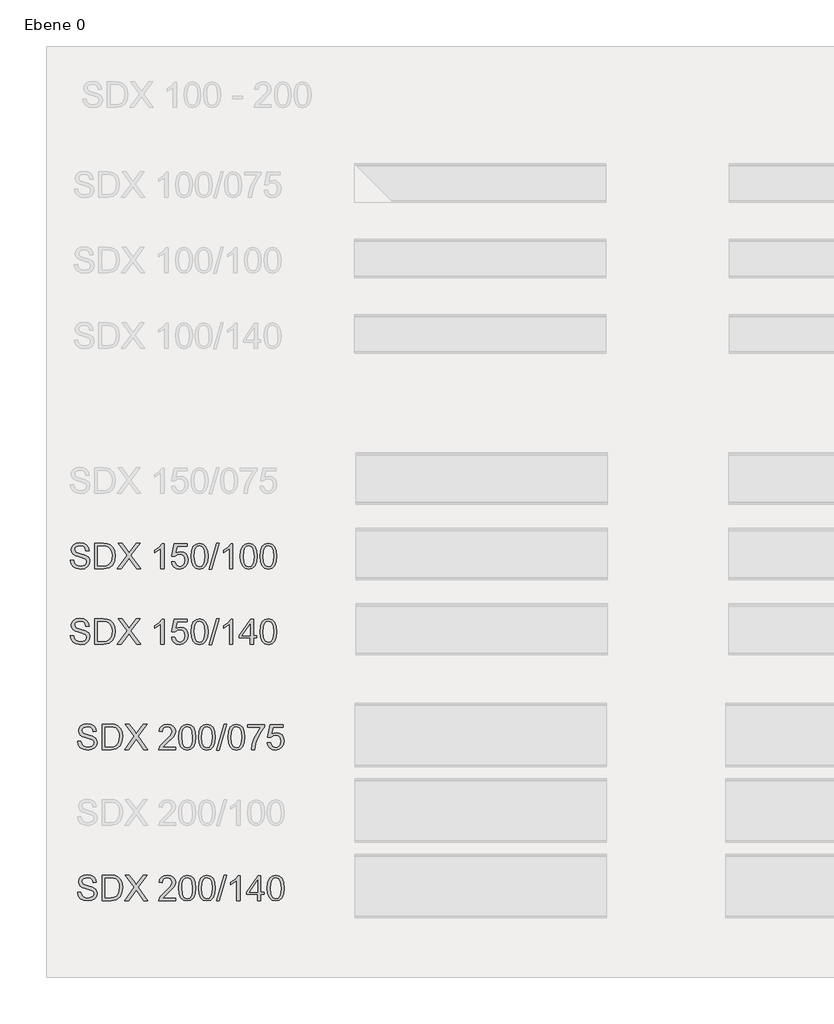
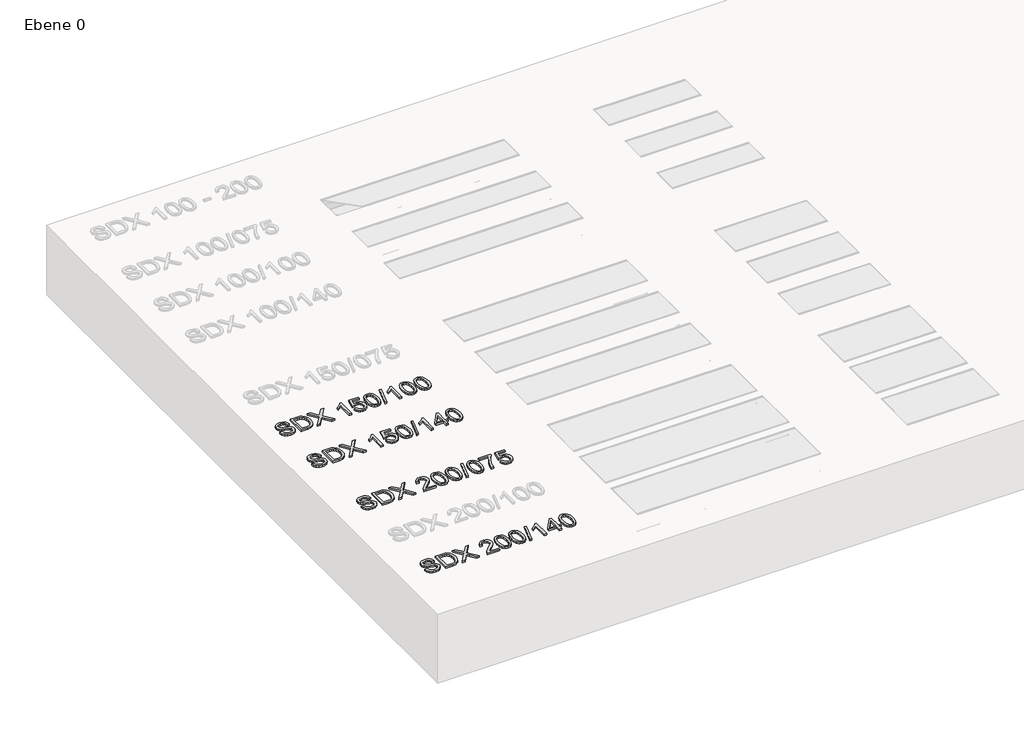
# One storey, part 2 of 3: 4 proxies.
"""IFC4 building model written with IfcOpenShell, lengths in millimetres."""

import ifcopenshell
import ifcopenshell.guid

model = None  # the IFC model being written
_history = None  # IfcOwnerHistory: only IFC2X3 demands one
_inside = {}  # id of a spatial element -> (the spatial element, [elements in it])
_under = {}  # id of a project, library or spatial element -> (it, [spatial elements below it])
_declared = {}  # id of a project -> (the project, [libraries it declares])
_typed = {}  # id of a type object -> (the type object, [elements of that type])
_made_of = {}  # id of a material, layer set ... -> (it, [elements and type objects made of it])


def new_model(schema):
    """Start an empty IFC model of exactly this schema.

    Asked for "IFC4X3", IfcOpenShell would pick the latest addendum, in which some entities
    have other attributes; the version numbers below select the first issue.
    IFC2X3 requires an IfcOwnerHistory on every rooted entity: one is made here for all.
    """
    global model, _history
    if schema == "IFC4X3":
        model = ifcopenshell.file(schema_version=(4, 3, 0, 0))
    else:
        model = ifcopenshell.file(schema=schema)
    _inside.clear()
    _under.clear()
    _declared.clear()
    _typed.clear()
    _made_of.clear()
    _history = None
    if model.schema == "IFC2X3":
        org = make("IfcOrganization", Name="unknown")
        user = make(
            "IfcPersonAndOrganization",
            ThePerson=make("IfcPerson", FamilyName="unknown"),
            TheOrganization=org,
        )
        app = make(
            "IfcApplication",
            ApplicationDeveloper=org,
            Version="unknown",
            ApplicationFullName="unknown",
            ApplicationIdentifier="unknown",
        )
        _history = make(
            "IfcOwnerHistory",
            OwningUser=user,
            OwningApplication=app,
            ChangeAction="ADDED",
            CreationDate=0,
        )
    return model


def make(cls, **values):
    """One entity of the class cls with the attributes given. An attribute that is None is left unset."""
    return model.create_entity(
        cls, **{name: value for name, value in values.items() if value is not None}
    )


def rooted(cls, **values):
    """An entity with a GlobalId (a new one), such as an element, a storey or a relation."""
    return make(cls, GlobalId=ifcopenshell.guid.new(), OwnerHistory=_history, **values)


def si_unit(unit_type, name, prefix=None):
    """IfcSIUnit, for example si_unit("LENGTHUNIT", "METRE", prefix="MILLI")."""
    return make("IfcSIUnit", UnitType=unit_type, Prefix=prefix, Name=name)


def assignment(units):
    """IfcUnitAssignment: the units of a project."""
    return None if units is None else make("IfcUnitAssignment", Units=units)


def point(xyz):
    """IfcCartesianPoint."""
    return None if xyz is None else make("IfcCartesianPoint", Coordinates=xyz)


def direction(xyz):
    """IfcDirection."""
    return None if xyz is None else make("IfcDirection", DirectionRatios=xyz)


def frame(location, z_axis=None, x_axis=None):
    """IfcAxis2Placement3D, a coordinate frame: its origin and axes. An axis left out is left unset."""
    return make(
        "IfcAxis2Placement3D",
        Location=point(location),
        Axis=direction(z_axis),
        RefDirection=direction(x_axis),
    )


def origin():
    """The frame at (0, 0, 0) with its axes left unset."""
    return frame((0.0, 0.0, 0.0))


def origin_with_axes():
    """The frame at (0, 0, 0) with the z axis (0, 0, 1) and the x axis (1, 0, 0) written out."""
    return frame((0.0, 0.0, 0.0), z_axis=(0.0, 0.0, 1.0), x_axis=(1.0, 0.0, 0.0))


def place(relative_to, where):
    """IfcLocalPlacement: puts the frame where relative to a parent placement (None: the world)."""
    return make(
        "IfcLocalPlacement", PlacementRelTo=relative_to, RelativePlacement=where
    )


def context(
    kind, dimensions, precision=None, world=None, true_north=None, identifier=None
):
    """IfcGeometricRepresentationContext, for example the 3D "Model" context."""
    return make(
        "IfcGeometricRepresentationContext",
        ContextIdentifier=identifier,
        ContextType=kind,
        CoordinateSpaceDimension=dimensions,
        Precision=precision,
        WorldCoordinateSystem=world,
        TrueNorth=true_north,
    )


def project(units=None, contexts=None):
    """IfcProject with its units and contexts."""
    return rooted(
        "IfcProject",
        Name="project",
        RepresentationContexts=contexts,
        UnitsInContext=assignment(units),
    )


def spatial(cls, under=None, at=None, **own):
    """A site, building, storey or space (cls), placed at a placement, below another one or the project."""
    s = rooted(cls, ObjectPlacement=at, **own)
    if under is not None:
        _under.setdefault(under.id(), (under, []))[1].append(s)
    return s


def polyline(points):
    """IfcPolyline through the points."""
    return make("IfcPolyline", Points=[point(p) for p in points])


def outline(outer, holes=None, kind="AREA"):
    """IfcArbitraryClosedProfileDef: a profile drawn as a closed curve; with holes, ...WithVoids."""
    if holes is None:
        return make("IfcArbitraryClosedProfileDef", ProfileType=kind, OuterCurve=outer)
    return make(
        "IfcArbitraryProfileDefWithVoids",
        ProfileType=kind,
        OuterCurve=outer,
        InnerCurves=holes,
    )


def extrude(swept, where, along, depth):
    """IfcExtrudedAreaSolid: the profile swept, set in the frame where, extruded along a direction by depth."""
    return make(
        "IfcExtrudedAreaSolid",
        SweptArea=swept,
        Position=where,
        ExtrudedDirection=direction(along),
        Depth=depth,
    )


def shape(context_of_items, identifier, shape_type, items):
    """IfcShapeRepresentation: the items that make up one representation, for example the "Body"."""
    return make(
        "IfcShapeRepresentation",
        ContextOfItems=context_of_items,
        RepresentationIdentifier=identifier,
        RepresentationType=shape_type,
        Items=items,
    )


def made_of(thing, what):
    """Note that an element or type object is made of a material, layer set ...; save() writes the relation."""
    if what is not None:
        _made_of.setdefault(what.id(), (what, []))[1].append(thing)
    return thing


def element(
    cls,
    number,
    at=None,
    inside=None,
    cuts=None,
    type_object=None,
    material=None,
    context=None,
    identifier="Body",
    shape_type=None,
    held_by="IfcProductDefinitionShape",
    body=None,
    shapes=None,
    **own,
):
    """One element of the class cls, such as IfcWall. Its Tag is "e" and its number.

    at: its placement. inside: the storey or other place that contains it. cuts: it is an
    opening in that element (IfcRelVoidsElement). A single representation is given by context,
    identifier, shape_type and body (its items); several are given by shapes. held_by: the class
    of the entity that holds the representations. save() writes the other relations.
    """
    e = rooted(cls, Tag="e%d" % number, ObjectPlacement=at, **own)
    if body is not None:
        shapes = [shape(context, identifier, shape_type, body)]
    if shapes is not None:
        e.Representation = make(held_by, Representations=shapes)
    if inside is not None:
        _inside.setdefault(inside.id(), (inside, []))[1].append(e)
    if cuts is not None:
        rooted(
            "IfcRelVoidsElement", RelatingBuildingElement=cuts, RelatedOpeningElement=e
        )
    if type_object is not None:
        _typed.setdefault(type_object.id(), (type_object, []))[1].append(e)
    return made_of(e, material)


def aggregate(whole, parts):
    """IfcRelAggregates: a whole, such as a stair, and the parts it consists of."""
    return rooted("IfcRelAggregates", RelatingObject=whole, RelatedObjects=parts)


def save(model, path):
    """Write the relations noted so far, then the file.

    IfcRelAggregates (storeys below a building ...), IfcRelContainedInSpatialStructure (elements
    in a storey), IfcRelDefinesByType, IfcRelAssociatesMaterial and IfcRelDeclares: one each for
    every whole, place, type object, material and project.
    """
    for whole, parts in _under.values():
        aggregate(whole, parts)
    for where, things in _inside.values():
        rooted(
            "IfcRelContainedInSpatialStructure",
            RelatedElements=things,
            RelatingStructure=where,
        )
    for kind, things in _typed.values():
        rooted("IfcRelDefinesByType", RelatedObjects=things, RelatingType=kind)
    for what, things in _made_of.values():
        rooted("IfcRelAssociatesMaterial", RelatedObjects=things, RelatingMaterial=what)
    for by, libraries in _declared.values():
        rooted("IfcRelDeclares", RelatingContext=by, RelatedDefinitions=libraries)
    model.write(path)


model = new_model("IFC4")

# Units and contexts
model_context = context("Model", 3, world=origin())
ifc_project = project(units=[si_unit("LENGTHUNIT", "METRE", prefix="MILLI")], contexts=[model_context])

# Site, building, storey
site = spatial("IfcSite", under=ifc_project)
building = spatial("IfcBuilding", under=site)
storey = spatial("IfcBuildingStorey", under=building, Name="Ebene 0", Elevation=0.0)

# Proxies
placement = place(None, origin())
element("IfcBuildingElementProxy", 1, Name="100mm ACO", ObjectType="100mm ACO", at=placement, inside=storey, context=model_context, shape_type="SweptSolid", body=[
    extrude(outline(polyline([(1605.5146668, 1844.899005), (1603.4919175, 1853.8449414), (1598.995302, 1860.251527), (1592.0248205, 1864.1042096), (1582.5804728, 1865.3884372), (1566.864147, 1861.3865949), (1562.3238751, 1856.4716051), (1560.8104511, 1849.73032), (1565.3216187, 1839.6165732), (1583.5991236, 1833.2863864), (1603.5501261, 1827.7711203), (1616.7780337, 1818.7924415), (1620.9035692, 1811.6691624), (1622.2787477, 1802.4649252), (1619.7575871, 1790.5576256), (1612.1941053, 1780.8549772), (1600.5778487, 1774.4047352), (1585.8983638, 1772.2546545), (1567.810037, 1774.6412077), (1554.9313811, 1781.8008672), (1547.0732182, 1792.7586388), (1544.0463702, 1806.5395282), (1557.0850998, 1807.6454919), (1559.7299537, 1796.7059105), (1565.9764656, 1789.2079134), (1574.8641934, 1784.8750096), (1585.4326949, 1783.4307084), (1602.6624447, 1788.1892626), (1607.5956248, 1793.7954798), (1609.2400181, 1801.0970228), (1607.5410542, 1808.4676886), (1602.4441624, 1813.5245619), (1579.0297474, 1821.018921), (1564.7358945, 1825.3845671), (1555.0914548, 1831.2927414), (1549.6016548, 1838.9653644), (1547.7717215, 1848.6243563), (1550.0673238, 1859.683993), (1556.9541304, 1868.6481196), (1567.7991229, 1874.5853982), (1581.9692824, 1876.5644911), (1596.6160249, 1874.5708461), (1608.0758458, 1868.589911), (1615.6284135, 1858.9418332), (1618.5533964, 1845.94676), (1605.5146668, 1844.899005)])), origin_with_axes(), (0.0, 0.0, 1.0), 10.0),
    extrude(outline(polyline([(1640.9055042, 1874.7018154), (1675.1321694, 1874.7018154), (1690.6156608, 1873.7704776), (1703.0140956, 1869.2447579), (1713.3606768, 1859.3347413), (1720.3311583, 1844.8262442), (1722.863233, 1824.9625546), (1720.2583975, 1804.7095949), (1712.4438911, 1788.4220971), (1698.2773696, 1777.6935219), (1676.616489, 1774.1173301), (1640.9055042, 1774.1173301), (1640.9055042, 1874.7018154)]), holes=[polyline([(1653.9442338, 1785.293384), (1675.3941081, 1785.293384), (1687.1085918, 1786.137409), (1697.5715902, 1790.692233), (1706.3465387, 1802.8578334), (1709.8245034, 1825.2535977), (1708.4857053, 1839.6311254), (1703.5670774, 1851.8112779), (1695.3451107, 1859.8586188), (1686.2936712, 1862.9727797), (1674.9866478, 1863.5257615), (1653.9442338, 1863.5257615), (1653.9442338, 1785.293384)])]), origin_with_axes(), (0.0, 0.0, 1.0), 10.0),
    extrude(outline(polyline([(1823.4477183, 1774.1173301), (1807.7313925, 1774.1173301), (1786.6889785, 1802.8141769), (1777.5793304, 1815.5909677), (1746.2339916, 1774.1173301), (1730.3139356, 1774.1173301), (1769.4592287, 1826.3595614), (1734.0392869, 1874.7018154), (1749.7847171, 1874.7018154), (1772.1950335, 1844.1131887), (1777.4338088, 1836.9826334), (1805.6649867, 1874.7018154), (1821.5850427, 1874.7018154), (1785.2628674, 1826.2431441), (1823.4477183, 1774.1173301)])), origin_with_axes(), (0.0, 0.0, 1.0), 10.0),
    extrude(outline(polyline([(1916.581501, 1774.1173301), (1903.5427715, 1774.1173301), (1903.5427715, 1852.3497076), (1879.327988, 1837.4483024), (1879.327988, 1846.7616806), (1897.7073579, 1858.548925), (1909.1307984, 1872.8391398), (1916.581501, 1872.8391398), (1916.581501, 1774.1173301)])), origin_with_axes(), (0.0, 0.0, 1.0), 10.0),
    extrude(outline(polyline([(1963.9051044, 1836.5751731), (1982.7064868, 1841.1736537), (1994.2608967, 1838.9362601), (2004.243674, 1832.2240792), (2011.1413948, 1821.7865471), (2013.4406351, 1808.3730996), (2011.0577199, 1794.4539647), (2003.9089745, 1782.7904136), (1992.8966323, 1774.8885943), (1978.9229268, 1772.2546545), (1967.1138542, 1774.0736737), (1957.0073836, 1779.5307312), (1949.7240307, 1788.5530664), (1946.3843115, 1801.0679185), (1959.4230411, 1802.0574649), (1966.2334489, 1786.6467343), (1979.0684484, 1781.5680327), (1987.6833233, 1783.4525366), (1994.4937311, 1789.1060483), (1998.9248619, 1797.517193), (2000.4019055, 1807.6745962), (1998.9212239, 1817.70103), (1994.479179, 1825.3700149), (1987.7015135, 1830.2377103), (1979.2139699, 1831.8602754), (1968.8091801, 1829.4955504), (1961.1110909, 1822.4013756), (1948.2469872, 1823.9147996), (1957.99693, 1872.8391398), (2009.7152837, 1872.8391398), (2009.7152837, 1863.5257615), (1969.3185055, 1863.5257615), (1963.9051044, 1836.5751731)])), origin_with_axes(), (0.0, 0.0, 1.0), 10.0),
    extrude(outline(polyline([(2058.1157464, 1874.7018154), (2072.7970504, 1871.4967036), (2083.283696, 1861.8813682), (2089.5756834, 1845.8558091), (2091.6730125, 1823.4200263), (2089.5047416, 1800.8168938), (2082.999929, 1784.8713716), (2072.4423416, 1775.4088338), (2058.1157464, 1772.2546545), (2043.4599088, 1775.4524902), (2032.9914533, 1785.0459974), (2026.7103801, 1801.0351761), (2024.616689, 1823.4200263), (2026.7849599, 1846.0195208), (2033.2897725, 1862.0123376), (2043.8328077, 1871.529446), (2058.1157464, 1874.7018154)]), holes=[polyline([(2058.1448507, 1781.5680327), (2067.0362166, 1784.0164326), (2073.4537163, 1791.3616321), (2077.3391413, 1804.2730303), (2078.6342829, 1823.4200263), (2076.364147, 1847.7803314), (2069.5100827, 1861.0227911), (2057.9993292, 1865.3884372), (2049.1261536, 1862.8963809), (2042.7632245, 1855.420212), (2038.93237, 1842.436053), (2037.6554186, 1823.4200263), (2039.969211, 1799.219795), (2046.8232753, 1785.9336788), (2058.1448507, 1781.5680327)])]), origin_with_axes(), (0.0, 0.0, 1.0), 10.0),
    extrude(outline(polyline([(2136.3772282, 1874.7018154), (2106.8945651, 1772.2546545), (2097.2610395, 1772.2546545), (2126.7437026, 1874.7018154), (2136.3772282, 1874.7018154)])), origin_with_axes(), (0.0, 0.0, 1.0), 10.0),
    extrude(outline(polyline([(2190.3948222, 1774.1173301), (2177.3560926, 1774.1173301), (2177.3560926, 1852.3497076), (2153.1413091, 1837.4483024), (2153.1413091, 1846.7616806), (2171.520679, 1858.548925), (2182.9441196, 1872.8391398), (2190.3948222, 1872.8391398), (2190.3948222, 1774.1173301)])), origin_with_axes(), (0.0, 0.0, 1.0), 10.0),
    extrude(outline(polyline([(2253.6966901, 1874.7018154), (2268.377994, 1871.4967036), (2278.8646397, 1861.8813682), (2285.1566271, 1845.8558091), (2287.2539562, 1823.4200263), (2285.0856853, 1800.8168938), (2278.5808727, 1784.8713716), (2268.0232853, 1775.4088338), (2253.6966901, 1772.2546545), (2239.0408525, 1775.4524902), (2228.572397, 1785.0459974), (2222.2913237, 1801.0351761), (2220.1976327, 1823.4200263), (2222.3659035, 1846.0195208), (2228.8707162, 1862.0123376), (2239.4137514, 1871.529446), (2253.6966901, 1874.7018154)]), holes=[polyline([(2253.7257944, 1781.5680327), (2262.6171602, 1784.0164326), (2269.03466, 1791.3616321), (2272.920085, 1804.2730303), (2274.2152266, 1823.4200263), (2271.9450907, 1847.7803314), (2265.0910263, 1861.0227911), (2253.5802729, 1865.3884372), (2244.7070973, 1862.8963809), (2238.3441681, 1855.420212), (2234.5133137, 1842.436053), (2233.2363622, 1823.4200263), (2235.5501546, 1799.219795), (2242.404219, 1785.9336788), (2253.7257944, 1781.5680327)])]), origin_with_axes(), (0.0, 0.0, 1.0), 10.0),
    extrude(outline(polyline([(2331.9290676, 1874.7018154), (2346.6103715, 1871.4967036), (2357.0970171, 1861.8813682), (2363.3890045, 1845.8558091), (2365.4863337, 1823.4200263), (2363.3180628, 1800.8168938), (2356.8132502, 1784.8713716), (2346.2556628, 1775.4088338), (2331.9290676, 1772.2546545), (2317.2732299, 1775.4524902), (2306.8047745, 1785.0459974), (2300.5237012, 1801.0351761), (2298.4300101, 1823.4200263), (2300.598281, 1846.0195208), (2307.1030936, 1862.0123376), (2317.6461289, 1871.529446), (2331.9290676, 1874.7018154)]), holes=[polyline([(2331.9581719, 1781.5680327), (2340.8495377, 1784.0164326), (2347.2670374, 1791.3616321), (2351.1524624, 1804.2730303), (2352.4476041, 1823.4200263), (2350.1774681, 1847.7803314), (2343.3234038, 1861.0227911), (2331.8126504, 1865.3884372), (2322.9394747, 1862.8963809), (2316.5765456, 1855.420212), (2312.7456912, 1842.436053), (2311.4687397, 1823.4200263), (2313.7825321, 1799.219795), (2320.6365964, 1785.9336788), (2331.9581719, 1781.5680327)])]), origin_with_axes(), (0.0, 0.0, 1.0), 10.0),
])
element("IfcBuildingElementProxy", 2, Name="100mm ACO", ObjectType="100mm ACO", at=placement, inside=storey, context=model_context, shape_type="SweptSolid", body=[
    extrude(outline(polyline([(1605.5146668, 1544.899005), (1603.4919175, 1553.8449414), (1598.995302, 1560.251527), (1592.0248205, 1564.1042096), (1582.5804728, 1565.3884372), (1566.864147, 1561.3865949), (1562.3238751, 1556.4716051), (1560.8104511, 1549.73032), (1565.3216187, 1539.6165732), (1583.5991236, 1533.2863864), (1603.5501261, 1527.7711203), (1616.7780337, 1518.7924415), (1620.9035692, 1511.6691624), (1622.2787477, 1502.4649252), (1619.7575871, 1490.5576256), (1612.1941053, 1480.8549772), (1600.5778487, 1474.4047352), (1585.8983638, 1472.2546545), (1567.810037, 1474.6412077), (1554.9313811, 1481.8008672), (1547.0732182, 1492.7586388), (1544.0463702, 1506.5395282), (1557.0850998, 1507.6454919), (1559.7299537, 1496.7059105), (1565.9764656, 1489.2079134), (1574.8641934, 1484.8750096), (1585.4326949, 1483.4307084), (1602.6624447, 1488.1892626), (1607.5956248, 1493.7954798), (1609.2400181, 1501.0970228), (1607.5410542, 1508.4676886), (1602.4441624, 1513.5245619), (1579.0297474, 1521.018921), (1564.7358945, 1525.3845671), (1555.0914548, 1531.2927414), (1549.6016548, 1538.9653644), (1547.7717215, 1548.6243563), (1550.0673238, 1559.683993), (1556.9541304, 1568.6481196), (1567.7991229, 1574.5853982), (1581.9692824, 1576.5644911), (1596.6160249, 1574.5708461), (1608.0758458, 1568.589911), (1615.6284135, 1558.9418332), (1618.5533964, 1545.94676), (1605.5146668, 1544.899005)])), origin_with_axes(), (0.0, 0.0, 1.0), 10.0),
    extrude(outline(polyline([(1640.9055042, 1574.7018154), (1675.1321694, 1574.7018154), (1690.6156608, 1573.7704776), (1703.0140956, 1569.2447579), (1713.3606768, 1559.3347413), (1720.3311583, 1544.8262442), (1722.863233, 1524.9625546), (1720.2583975, 1504.7095949), (1712.4438911, 1488.4220971), (1698.2773696, 1477.6935219), (1676.616489, 1474.1173301), (1640.9055042, 1474.1173301), (1640.9055042, 1574.7018154)]), holes=[polyline([(1653.9442338, 1485.293384), (1675.3941081, 1485.293384), (1687.1085918, 1486.137409), (1697.5715902, 1490.692233), (1706.3465387, 1502.8578334), (1709.8245034, 1525.2535977), (1708.4857053, 1539.6311254), (1703.5670774, 1551.8112779), (1695.3451107, 1559.8586188), (1686.2936712, 1562.9727797), (1674.9866478, 1563.5257615), (1653.9442338, 1563.5257615), (1653.9442338, 1485.293384)])]), origin_with_axes(), (0.0, 0.0, 1.0), 10.0),
    extrude(outline(polyline([(1823.4477183, 1474.1173301), (1807.7313925, 1474.1173301), (1786.6889785, 1502.8141769), (1777.5793304, 1515.5909677), (1746.2339916, 1474.1173301), (1730.3139356, 1474.1173301), (1769.4592287, 1526.3595614), (1734.0392869, 1574.7018154), (1749.7847171, 1574.7018154), (1772.1950335, 1544.1131887), (1777.4338088, 1536.9826334), (1805.6649867, 1574.7018154), (1821.5850427, 1574.7018154), (1785.2628674, 1526.2431441), (1823.4477183, 1474.1173301)])), origin_with_axes(), (0.0, 0.0, 1.0), 10.0),
    extrude(outline(polyline([(1916.581501, 1474.1173301), (1903.5427715, 1474.1173301), (1903.5427715, 1552.3497076), (1879.327988, 1537.4483024), (1879.327988, 1546.7616806), (1897.7073579, 1558.548925), (1909.1307984, 1572.8391398), (1916.581501, 1572.8391398), (1916.581501, 1474.1173301)])), origin_with_axes(), (0.0, 0.0, 1.0), 10.0),
    extrude(outline(polyline([(1963.9051044, 1536.5751731), (1982.7064868, 1541.1736537), (1994.2608967, 1538.9362601), (2004.243674, 1532.2240792), (2011.1413948, 1521.7865471), (2013.4406351, 1508.3730996), (2011.0577199, 1494.4539647), (2003.9089745, 1482.7904136), (1992.8966323, 1474.8885943), (1978.9229268, 1472.2546545), (1967.1138542, 1474.0736737), (1957.0073836, 1479.5307312), (1949.7240307, 1488.5530664), (1946.3843115, 1501.0679185), (1959.4230411, 1502.0574649), (1966.2334489, 1486.6467343), (1979.0684484, 1481.5680327), (1987.6833233, 1483.4525366), (1994.4937311, 1489.1060483), (1998.9248619, 1497.517193), (2000.4019055, 1507.6745962), (1998.9212239, 1517.70103), (1994.479179, 1525.3700149), (1987.7015135, 1530.2377103), (1979.2139699, 1531.8602754), (1968.8091801, 1529.4955504), (1961.1110909, 1522.4013756), (1948.2469872, 1523.9147996), (1957.99693, 1572.8391398), (2009.7152837, 1572.8391398), (2009.7152837, 1563.5257615), (1969.3185055, 1563.5257615), (1963.9051044, 1536.5751731)])), origin_with_axes(), (0.0, 0.0, 1.0), 10.0),
    extrude(outline(polyline([(2058.1157464, 1574.7018154), (2072.7970504, 1571.4967036), (2083.283696, 1561.8813682), (2089.5756834, 1545.8558091), (2091.6730125, 1523.4200263), (2089.5047416, 1500.8168938), (2082.999929, 1484.8713716), (2072.4423416, 1475.4088338), (2058.1157464, 1472.2546545), (2043.4599088, 1475.4524902), (2032.9914533, 1485.0459974), (2026.7103801, 1501.0351761), (2024.616689, 1523.4200263), (2026.7849599, 1546.0195208), (2033.2897725, 1562.0123376), (2043.8328077, 1571.529446), (2058.1157464, 1574.7018154)]), holes=[polyline([(2058.1448507, 1481.5680327), (2067.0362166, 1484.0164326), (2073.4537163, 1491.3616321), (2077.3391413, 1504.2730303), (2078.6342829, 1523.4200263), (2076.364147, 1547.7803314), (2069.5100827, 1561.0227911), (2057.9993292, 1565.3884372), (2049.1261536, 1562.8963809), (2042.7632245, 1555.420212), (2038.93237, 1542.436053), (2037.6554186, 1523.4200263), (2039.969211, 1499.219795), (2046.8232753, 1485.9336788), (2058.1448507, 1481.5680327)])]), origin_with_axes(), (0.0, 0.0, 1.0), 10.0),
    extrude(outline(polyline([(2136.3772282, 1574.7018154), (2106.8945651, 1472.2546545), (2097.2610395, 1472.2546545), (2126.7437026, 1574.7018154), (2136.3772282, 1574.7018154)])), origin_with_axes(), (0.0, 0.0, 1.0), 10.0),
    extrude(outline(polyline([(2190.3948222, 1474.1173301), (2177.3560926, 1474.1173301), (2177.3560926, 1552.3497076), (2153.1413091, 1537.4483024), (2153.1413091, 1546.7616806), (2171.520679, 1558.548925), (2182.9441196, 1572.8391398), (2190.3948222, 1572.8391398), (2190.3948222, 1474.1173301)])), origin_with_axes(), (0.0, 0.0, 1.0), 10.0),
    extrude(outline(polyline([(2285.3912805, 1498.3321136), (2272.352551, 1498.3321136), (2272.352551, 1474.1173301), (2259.3138214, 1474.1173301), (2259.3138214, 1498.3321136), (2216.4722813, 1498.3321136), (2216.4722813, 1507.6454919), (2261.642166, 1572.8391398), (2272.352551, 1572.8391398), (2272.352551, 1507.6454919), (2285.3912805, 1507.6454919), (2285.3912805, 1498.3321136)]), holes=[polyline([(2259.3138214, 1507.6454919), (2259.3138214, 1553.7467143), (2227.3863965, 1507.6454919), (2259.3138214, 1507.6454919)])]), origin_with_axes(), (0.0, 0.0, 1.0), 10.0),
    extrude(outline(polyline([(2331.9290676, 1574.7018154), (2346.6103715, 1571.4967036), (2357.0970171, 1561.8813682), (2363.3890045, 1545.8558091), (2365.4863337, 1523.4200263), (2363.3180628, 1500.8168938), (2356.8132502, 1484.8713716), (2346.2556628, 1475.4088338), (2331.9290676, 1472.2546545), (2317.2732299, 1475.4524902), (2306.8047745, 1485.0459974), (2300.5237012, 1501.0351761), (2298.4300101, 1523.4200263), (2300.598281, 1546.0195208), (2307.1030936, 1562.0123376), (2317.6461289, 1571.529446), (2331.9290676, 1574.7018154)]), holes=[polyline([(2331.9581719, 1481.5680327), (2340.8495377, 1484.0164326), (2347.2670374, 1491.3616321), (2351.1524624, 1504.2730303), (2352.4476041, 1523.4200263), (2350.1774681, 1547.7803314), (2343.3234038, 1561.0227911), (2331.8126504, 1565.3884372), (2322.9394747, 1562.8963809), (2316.5765456, 1555.420212), (2312.7456912, 1542.436053), (2311.4687397, 1523.4200263), (2313.7825321, 1499.219795), (2320.6365964, 1485.9336788), (2331.9581719, 1481.5680327)])]), origin_with_axes(), (0.0, 0.0, 1.0), 10.0),
])
element("IfcBuildingElementProxy", 3, Name="100mm ACO", ObjectType="100mm ACO", at=placement, inside=storey, context=model_context, shape_type="SweptSolid", body=[
    extrude(outline(polyline([(1634.7664344, 1125.6824159), (1632.743685, 1134.6283523), (1628.2470696, 1141.0349379), (1621.276588, 1144.8876206), (1611.8322404, 1146.1718481), (1596.1159146, 1142.1700059), (1591.5756426, 1137.255016), (1590.0622187, 1130.5137309), (1594.5733863, 1120.3999842), (1612.8508911, 1114.0697974), (1632.8018936, 1108.5545312), (1646.0298012, 1099.5758525), (1650.1553368, 1092.4525733), (1651.5305153, 1083.2483362), (1649.0093547, 1071.3410365), (1641.4458729, 1061.6383882), (1629.8296163, 1055.1881461), (1615.1501314, 1053.0380654), (1597.0618045, 1055.4246186), (1584.1831486, 1062.5842781), (1576.3249857, 1073.5420498), (1573.2981378, 1087.3229392), (1586.3368674, 1088.4289028), (1588.9817213, 1077.4893214), (1595.2282332, 1069.9913243), (1604.115961, 1065.6584206), (1614.6844625, 1064.2141193), (1631.9142123, 1068.9726735), (1636.8473923, 1074.5788907), (1638.4917857, 1081.8804337), (1636.7928218, 1089.2510995), (1631.69593, 1094.3079729), (1608.2815149, 1101.8023319), (1593.9876621, 1106.167978), (1584.3432223, 1112.0761524), (1578.8534224, 1119.7487753), (1577.0234891, 1129.4077672), (1579.3190913, 1140.4674039), (1586.205898, 1149.4315305), (1597.0508904, 1155.3688092), (1611.2210499, 1157.347902), (1625.8677925, 1155.354257), (1637.3276134, 1149.3733219), (1644.8801811, 1139.7252441), (1647.805164, 1126.730171), (1634.7664344, 1125.6824159)])), origin_with_axes(), (0.0, 0.0, 1.0), 10.0),
    extrude(outline(polyline([(1670.1572718, 1155.4852264), (1704.3839369, 1155.4852264), (1719.8674283, 1154.5538886), (1732.2658631, 1150.0281688), (1742.6124443, 1140.1181522), (1749.5829259, 1125.6096552), (1752.1150006, 1105.7459656), (1749.5101651, 1085.4930059), (1741.6956586, 1069.205508), (1727.5291372, 1058.4769328), (1705.8682566, 1054.9007411), (1670.1572718, 1054.9007411), (1670.1572718, 1155.4852264)]), holes=[polyline([(1683.1960014, 1066.076795), (1704.6458757, 1066.076795), (1716.3603593, 1066.9208199), (1726.8233577, 1071.475644), (1735.5983063, 1083.6412443), (1739.076271, 1106.0370086), (1737.7374729, 1120.4145363), (1732.818845, 1132.5946889), (1724.5968782, 1140.6420298), (1715.5454387, 1143.7561906), (1704.2384154, 1144.3091725), (1683.1960014, 1144.3091725), (1683.1960014, 1066.076795)])]), origin_with_axes(), (0.0, 0.0, 1.0), 10.0),
    extrude(outline(polyline([(1852.6994859, 1054.9007411), (1836.9831601, 1054.9007411), (1815.940746, 1083.5975879), (1806.8310979, 1096.3743787), (1775.4857592, 1054.9007411), (1759.5657032, 1054.9007411), (1798.7109962, 1107.1429723), (1763.2910545, 1155.4852264), (1779.0364846, 1155.4852264), (1801.4468011, 1124.8965996), (1806.6855764, 1117.7660444), (1834.9167543, 1155.4852264), (1850.8368102, 1155.4852264), (1814.514635, 1107.0265551), (1852.6994859, 1054.9007411)])), origin_with_axes(), (0.0, 0.0, 1.0), 10.0),
    extrude(outline(polyline([(1962.5973495, 1054.9007411), (1895.5410259, 1054.9007411), (1901.5365132, 1070.5879626), (1923.6848909, 1092.32888), (1941.5694876, 1109.7623599), (1947.5613368, 1118.8429038), (1949.5586199, 1127.9816562), (1944.1015623, 1141.0203858), (1930.3206729, 1146.1718481), (1916.205084, 1141.0349379), (1911.9121987, 1134.6283523), (1910.4424312, 1125.6824159), (1897.4037016, 1127.0794227), (1900.5615189, 1139.2522991), (1907.6484177, 1148.1800453), (1917.9222381, 1153.6589311), (1930.6408203, 1155.4852264), (1944.0760961, 1153.3860782), (1954.1716526, 1147.0886338), (1960.4909253, 1137.82255), (1962.5973495, 1126.8174839), (1960.8365389, 1116.8565348), (1955.5541072, 1106.7646163), (1927.963224, 1079.0864203), (1912.3051068, 1064.2141193), (1962.5973495, 1064.2141193), (1962.5973495, 1054.9007411)])), origin_with_axes(), (0.0, 0.0, 1.0), 10.0),
    extrude(outline(polyline([(2009.1351365, 1155.4852264), (2023.8164404, 1152.2801146), (2034.3030861, 1142.6647791), (2040.5950735, 1126.63922), (2042.6924026, 1104.2034373), (2040.5241317, 1081.6003048), (2034.0193191, 1065.6547825), (2023.4617317, 1056.1922447), (2009.1351365, 1053.0380654), (1994.4792989, 1056.2359012), (1984.0108434, 1065.8294084), (1977.7297702, 1081.8185871), (1975.6360791, 1104.2034373), (1977.8043499, 1126.8029317), (1984.3091626, 1142.7957485), (1994.8521978, 1152.3128569), (2009.1351365, 1155.4852264)]), holes=[polyline([(2009.1642408, 1062.3514437), (2018.0556067, 1064.7998435), (2024.4731064, 1072.145043), (2028.3585314, 1085.0564413), (2029.653673, 1104.2034373), (2027.3835371, 1128.5637423), (2020.5294728, 1141.806202), (2009.0187193, 1146.1718481), (2000.1455437, 1143.6797918), (1993.7826145, 1136.2036229), (1989.9517601, 1123.2194639), (1988.6748086, 1104.2034373), (1990.9886011, 1080.0032059), (1997.8426654, 1066.7170897), (2009.1642408, 1062.3514437)])]), origin_with_axes(), (0.0, 0.0, 1.0), 10.0),
    extrude(outline(polyline([(2087.367514, 1155.4852264), (2102.0488179, 1152.2801146), (2112.5354636, 1142.6647791), (2118.827451, 1126.63922), (2120.9247801, 1104.2034373), (2118.7565092, 1081.6003048), (2112.2516966, 1065.6547825), (2101.6941092, 1056.1922447), (2087.367514, 1053.0380654), (2072.7116764, 1056.2359012), (2062.2432209, 1065.8294084), (2055.9621476, 1081.8185871), (2053.8684565, 1104.2034373), (2056.0367274, 1126.8029317), (2062.5415401, 1142.7957485), (2073.0845753, 1152.3128569), (2087.367514, 1155.4852264)]), holes=[polyline([(2087.3966183, 1062.3514437), (2096.2879841, 1064.7998435), (2102.7054838, 1072.145043), (2106.5909088, 1085.0564413), (2107.8860505, 1104.2034373), (2105.6159146, 1128.5637423), (2098.7618502, 1141.806202), (2087.2510968, 1146.1718481), (2078.3779212, 1143.6797918), (2072.014992, 1136.2036229), (2068.1841376, 1123.2194639), (2066.9071861, 1104.2034373), (2069.2209785, 1080.0032059), (2076.0750429, 1066.7170897), (2087.3966183, 1062.3514437)])]), origin_with_axes(), (0.0, 0.0, 1.0), 10.0),
    extrude(outline(polyline([(2165.6289958, 1155.4852264), (2136.1463327, 1053.0380654), (2126.512807, 1053.0380654), (2155.9954701, 1155.4852264), (2165.6289958, 1155.4852264)])), origin_with_axes(), (0.0, 0.0, 1.0), 10.0),
    extrude(outline(polyline([(2204.7160802, 1155.4852264), (2219.3973841, 1152.2801146), (2229.8840298, 1142.6647791), (2236.1760172, 1126.63922), (2238.2733463, 1104.2034373), (2236.1050754, 1081.6003048), (2229.6002628, 1065.6547825), (2219.0426754, 1056.1922447), (2204.7160802, 1053.0380654), (2190.0602426, 1056.2359012), (2179.5917871, 1065.8294084), (2173.3107138, 1081.8185871), (2171.2170227, 1104.2034373), (2173.3852936, 1126.8029317), (2179.8901063, 1142.7957485), (2190.4331415, 1152.3128569), (2204.7160802, 1155.4852264)]), holes=[polyline([(2204.7451845, 1062.3514437), (2213.6365503, 1064.7998435), (2220.05405, 1072.145043), (2223.939475, 1085.0564413), (2225.2346167, 1104.2034373), (2222.9644808, 1128.5637423), (2216.1104164, 1141.806202), (2204.599663, 1146.1718481), (2195.7264874, 1143.6797918), (2189.3635582, 1136.2036229), (2185.5327038, 1123.2194639), (2184.2557523, 1104.2034373), (2186.5695447, 1080.0032059), (2193.4236091, 1066.7170897), (2204.7451845, 1062.3514437)])]), origin_with_axes(), (0.0, 0.0, 1.0), 10.0),
    extrude(outline(polyline([(2316.5057238, 1146.1718481), (2302.3937729, 1126.5082506), (2290.3263995, 1104.0724679), (2281.5696411, 1079.8685985), (2277.389535, 1054.9007411), (2264.3508054, 1054.9007411), (2267.2721503, 1076.2560264), (2275.0466383, 1099.5176438), (2300.2364161, 1144.3091725), (2249.4494002, 1144.3091725), (2249.4494002, 1153.6225507), (2316.5057238, 1153.6225507), (2316.5057238, 1146.1718481)])), origin_with_axes(), (0.0, 0.0, 1.0), 10.0),
    extrude(outline(polyline([(2345.2025706, 1117.3585841), (2364.0039529, 1121.9570646), (2375.5583629, 1119.719671), (2385.5411402, 1113.0074902), (2392.438861, 1102.569958), (2394.7381012, 1089.1565105), (2392.3551861, 1075.2373756), (2385.2064407, 1063.5738246), (2374.1940985, 1055.6720052), (2360.220393, 1053.0380654), (2348.4113204, 1054.8570846), (2338.3048498, 1060.3141422), (2331.0214969, 1069.3364774), (2327.6817777, 1081.8513294), (2340.7205073, 1082.8408759), (2347.5309151, 1067.4301453), (2360.3659146, 1062.3514437), (2368.9807895, 1064.2359476), (2375.7911973, 1069.8894592), (2380.2223281, 1078.300604), (2381.6993717, 1088.4580071), (2380.21869, 1098.4844409), (2375.7766452, 1106.1534259), (2368.9989796, 1111.0211212), (2360.5114361, 1112.6436863), (2350.1066463, 1110.2789614), (2342.4085571, 1103.1847865), (2329.5444533, 1104.6982105), (2339.2943962, 1153.6225507), (2391.0127499, 1153.6225507), (2391.0127499, 1144.3091725), (2350.6159717, 1144.3091725), (2345.2025706, 1117.3585841)])), origin_with_axes(), (0.0, 0.0, 1.0), 10.0),
])
element("IfcBuildingElementProxy", 4, Name="100mm ACO", ObjectType="100mm ACO", at=placement, inside=storey, context=model_context, shape_type="SweptSolid", body=[
    extrude(outline(polyline([(1634.7664344, 525.6824159), (1632.743685, 534.6283523), (1628.2470696, 541.0349379), (1621.276588, 544.8876206), (1611.8322404, 546.1718481), (1596.1159146, 542.1700059), (1591.5756426, 537.255016), (1590.0622187, 530.5137309), (1594.5733863, 520.3999842), (1612.8508911, 514.0697974), (1632.8018936, 508.5545312), (1646.0298012, 499.5758525), (1650.1553368, 492.4525733), (1651.5305153, 483.2483362), (1649.0093547, 471.3410365), (1641.4458729, 461.6383882), (1629.8296163, 455.1881461), (1615.1501314, 453.0380654), (1597.0618045, 455.4246186), (1584.1831486, 462.5842781), (1576.3249857, 473.5420498), (1573.2981378, 487.3229392), (1586.3368674, 488.4289028), (1588.9817213, 477.4893214), (1595.2282332, 469.9913243), (1604.115961, 465.6584206), (1614.6844625, 464.2141193), (1631.9142123, 468.9726735), (1636.8473923, 474.5788907), (1638.4917857, 481.8804337), (1636.7928218, 489.2510995), (1631.69593, 494.3079729), (1608.2815149, 501.8023319), (1593.9876621, 506.167978), (1584.3432223, 512.0761524), (1578.8534224, 519.7487753), (1577.0234891, 529.4077672), (1579.3190913, 540.4674039), (1586.205898, 549.4315305), (1597.0508904, 555.3688092), (1611.2210499, 557.347902), (1625.8677925, 555.354257), (1637.3276134, 549.3733219), (1644.8801811, 539.7252441), (1647.805164, 526.730171), (1634.7664344, 525.6824159)])), origin_with_axes(), (0.0, 0.0, 1.0), 10.0),
    extrude(outline(polyline([(1670.1572718, 555.4852264), (1704.3839369, 555.4852264), (1719.8674283, 554.5538886), (1732.2658631, 550.0281688), (1742.6124443, 540.1181522), (1749.5829259, 525.6096552), (1752.1150006, 505.7459656), (1749.5101651, 485.4930059), (1741.6956586, 469.205508), (1727.5291372, 458.4769328), (1705.8682566, 454.9007411), (1670.1572718, 454.9007411), (1670.1572718, 555.4852264)]), holes=[polyline([(1683.1960014, 466.076795), (1704.6458757, 466.076795), (1716.3603593, 466.9208199), (1726.8233577, 471.475644), (1735.5983063, 483.6412443), (1739.076271, 506.0370086), (1737.7374729, 520.4145363), (1732.818845, 532.5946889), (1724.5968782, 540.6420298), (1715.5454387, 543.7561906), (1704.2384154, 544.3091725), (1683.1960014, 544.3091725), (1683.1960014, 466.076795)])]), origin_with_axes(), (0.0, 0.0, 1.0), 10.0),
    extrude(outline(polyline([(1852.6994859, 454.9007411), (1836.9831601, 454.9007411), (1815.940746, 483.5975879), (1806.8310979, 496.3743787), (1775.4857592, 454.9007411), (1759.5657032, 454.9007411), (1798.7109962, 507.1429723), (1763.2910545, 555.4852264), (1779.0364846, 555.4852264), (1801.4468011, 524.8965996), (1806.6855764, 517.7660444), (1834.9167543, 555.4852264), (1850.8368102, 555.4852264), (1814.514635, 507.0265551), (1852.6994859, 454.9007411)])), origin_with_axes(), (0.0, 0.0, 1.0), 10.0),
    extrude(outline(polyline([(1962.5973495, 454.9007411), (1895.5410259, 454.9007411), (1901.5365132, 470.5879626), (1923.6848909, 492.32888), (1941.5694876, 509.7623599), (1947.5613368, 518.8429038), (1949.5586199, 527.9816562), (1944.1015623, 541.0203858), (1930.3206729, 546.1718481), (1916.205084, 541.0349379), (1911.9121987, 534.6283523), (1910.4424312, 525.6824159), (1897.4037016, 527.0794227), (1900.5615189, 539.2522991), (1907.6484177, 548.1800453), (1917.9222381, 553.6589311), (1930.6408203, 555.4852264), (1944.0760961, 553.3860782), (1954.1716526, 547.0886338), (1960.4909253, 537.82255), (1962.5973495, 526.8174839), (1960.8365389, 516.8565348), (1955.5541072, 506.7646163), (1927.963224, 479.0864203), (1912.3051068, 464.2141193), (1962.5973495, 464.2141193), (1962.5973495, 454.9007411)])), origin_with_axes(), (0.0, 0.0, 1.0), 10.0),
    extrude(outline(polyline([(2009.1351365, 555.4852264), (2023.8164404, 552.2801146), (2034.3030861, 542.6647791), (2040.5950735, 526.63922), (2042.6924026, 504.2034373), (2040.5241317, 481.6003048), (2034.0193191, 465.6547825), (2023.4617317, 456.1922447), (2009.1351365, 453.0380654), (1994.4792989, 456.2359012), (1984.0108434, 465.8294084), (1977.7297702, 481.8185871), (1975.6360791, 504.2034373), (1977.8043499, 526.8029317), (1984.3091626, 542.7957485), (1994.8521978, 552.3128569), (2009.1351365, 555.4852264)]), holes=[polyline([(2009.1642408, 462.3514437), (2018.0556067, 464.7998435), (2024.4731064, 472.145043), (2028.3585314, 485.0564413), (2029.653673, 504.2034373), (2027.3835371, 528.5637423), (2020.5294728, 541.806202), (2009.0187193, 546.1718481), (2000.1455437, 543.6797918), (1993.7826145, 536.2036229), (1989.9517601, 523.2194639), (1988.6748086, 504.2034373), (1990.9886011, 480.0032059), (1997.8426654, 466.7170897), (2009.1642408, 462.3514437)])]), origin_with_axes(), (0.0, 0.0, 1.0), 10.0),
    extrude(outline(polyline([(2087.367514, 555.4852264), (2102.0488179, 552.2801146), (2112.5354636, 542.6647791), (2118.827451, 526.63922), (2120.9247801, 504.2034373), (2118.7565092, 481.6003048), (2112.2516966, 465.6547825), (2101.6941092, 456.1922447), (2087.367514, 453.0380654), (2072.7116764, 456.2359012), (2062.2432209, 465.8294084), (2055.9621476, 481.8185871), (2053.8684565, 504.2034373), (2056.0367274, 526.8029317), (2062.5415401, 542.7957485), (2073.0845753, 552.3128569), (2087.367514, 555.4852264)]), holes=[polyline([(2087.3966183, 462.3514437), (2096.2879841, 464.7998435), (2102.7054838, 472.145043), (2106.5909088, 485.0564413), (2107.8860505, 504.2034373), (2105.6159146, 528.5637423), (2098.7618502, 541.806202), (2087.2510968, 546.1718481), (2078.3779212, 543.6797918), (2072.014992, 536.2036229), (2068.1841376, 523.2194639), (2066.9071861, 504.2034373), (2069.2209785, 480.0032059), (2076.0750429, 466.7170897), (2087.3966183, 462.3514437)])]), origin_with_axes(), (0.0, 0.0, 1.0), 10.0),
    extrude(outline(polyline([(2165.6289958, 555.4852264), (2136.1463327, 453.0380654), (2126.512807, 453.0380654), (2155.9954701, 555.4852264), (2165.6289958, 555.4852264)])), origin_with_axes(), (0.0, 0.0, 1.0), 10.0),
    extrude(outline(polyline([(2219.6465897, 454.9007411), (2206.6078602, 454.9007411), (2206.6078602, 533.1331185), (2182.3930767, 518.2317133), (2182.3930767, 527.5450916), (2200.7724466, 539.3323359), (2212.1958871, 553.6225507), (2219.6465897, 553.6225507), (2219.6465897, 454.9007411)])), origin_with_axes(), (0.0, 0.0, 1.0), 10.0),
    extrude(outline(polyline([(2314.6430481, 479.1155246), (2301.6043185, 479.1155246), (2301.6043185, 454.9007411), (2288.565589, 454.9007411), (2288.565589, 479.1155246), (2245.7240489, 479.1155246), (2245.7240489, 488.4289028), (2290.8939335, 553.6225507), (2301.6043185, 553.6225507), (2301.6043185, 488.4289028), (2314.6430481, 488.4289028), (2314.6430481, 479.1155246)]), holes=[polyline([(2288.565589, 488.4289028), (2288.565589, 534.5301253), (2256.6381641, 488.4289028), (2288.565589, 488.4289028)])]), origin_with_axes(), (0.0, 0.0, 1.0), 10.0),
    extrude(outline(polyline([(2361.1808352, 555.4852264), (2375.8621391, 552.2801146), (2386.3487847, 542.6647791), (2392.6407721, 526.63922), (2394.7381012, 504.2034373), (2392.5698304, 481.6003048), (2386.0650177, 465.6547825), (2375.5074303, 456.1922447), (2361.1808352, 453.0380654), (2346.5249975, 456.2359012), (2336.0565421, 465.8294084), (2329.7754688, 481.8185871), (2327.6817777, 504.2034373), (2329.8500486, 526.8029317), (2336.3548612, 542.7957485), (2346.8978964, 552.3128569), (2361.1808352, 555.4852264)]), holes=[polyline([(2361.2099395, 462.3514437), (2370.1013053, 464.7998435), (2376.518805, 472.145043), (2380.40423, 485.0564413), (2381.6993717, 504.2034373), (2379.4292357, 528.5637423), (2372.5751714, 541.806202), (2361.0644179, 546.1718481), (2352.1912423, 543.6797918), (2345.8283132, 536.2036229), (2341.9974587, 523.2194639), (2340.7205073, 504.2034373), (2343.0342997, 480.0032059), (2349.888364, 466.7170897), (2361.2099395, 462.3514437)])]), origin_with_axes(), (0.0, 0.0, 1.0), 10.0),
])

save(model, "model.ifc")
